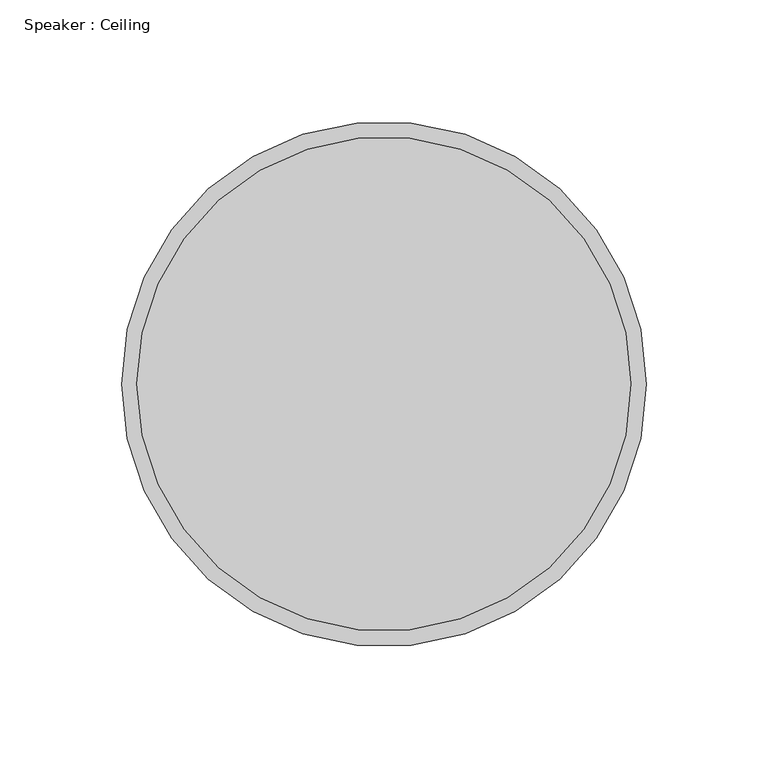
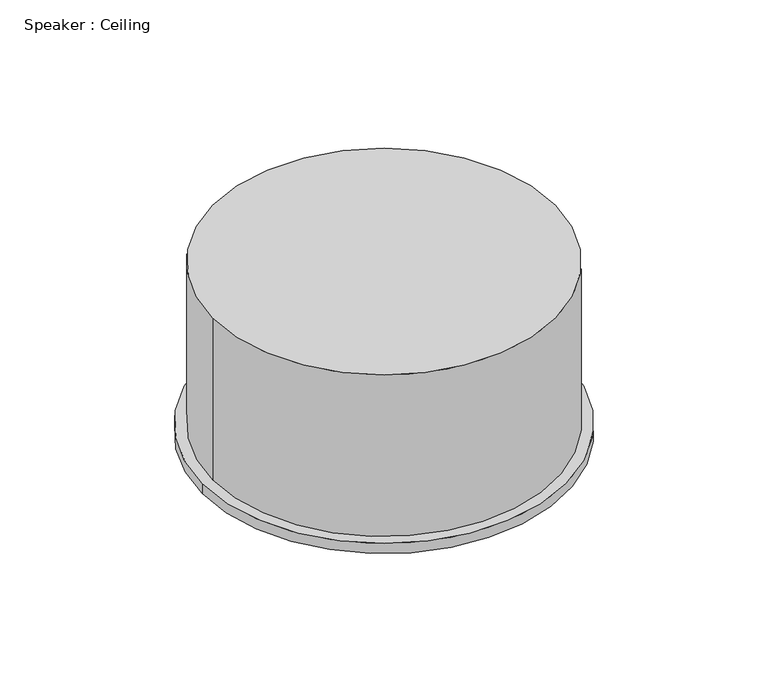
"""IFC4 building model written with IfcOpenShell, lengths in millimetres: proxy geometry, Speaker : Ceiling."""

from ifc_helpers import new_model, si_unit, point, frame, frame_2d, origin, place, context, project, spatial, circle_curve, trimmed, segment, composite_curve, outline, extrude, source, transform, mapped, element, save


def speaker_ceiling_a4e48c65(model_context):
    return source(origin(), model_context, "Body", "SweptSolid", [
        extrude(outline(composite_curve([segment(trimmed(circle_curve(frame_2d((-34.4117675, -10.7254698)), 101.6), [point((67.1882325, -10.7254698))], [point((-136.0117675, -10.7254698))], False, "CARTESIAN"), True, "CONTINUOUS"), segment(trimmed(circle_curve(frame_2d((-34.4117675, -10.7254698)), 101.6), [point((-136.0117675, -10.7254698))], [point((67.1882325, -10.7254698))], False, "CARTESIAN"), True, "CONTINUOUS")], self_intersect=False)), frame((0.0, 0.0, 2743.2), z_axis=(0.0, 0.0, 1.0), x_axis=(1.0, 0.0, 0.0)), (0.0, 0.0, 1.0), 101.6),
        extrude(outline(composite_curve([segment(trimmed(circle_curve(frame_2d((-34.4117675, -10.7254698)), 107.95), [point((73.5382325, -10.7254698))], [point((-142.3617675, -10.7254698))], False, "CARTESIAN"), True, "CONTINUOUS"), segment(trimmed(circle_curve(frame_2d((-34.4117675, -10.7254698)), 107.95), [point((-142.3617675, -10.7254698))], [point((73.5382325, -10.7254698))], False, "CARTESIAN"), True, "CONTINUOUS")], self_intersect=False)), frame((0.0, 0.0, 2736.85), z_axis=(0.0, 0.0, 1.0), x_axis=(1.0, 0.0, 0.0)), (0.0, 0.0, 1.0), 6.35),
    ])


if __name__ == "__main__":
    model = new_model("IFC4")
    model_context = context("Model", 3, world=origin())
    ifc_project = project(units=[si_unit("LENGTHUNIT", "METRE", prefix="MILLI")], contexts=[model_context])
    site = spatial("IfcSite", under=ifc_project)
    building = spatial("IfcBuilding", under=site)
    placement = place(None, origin())
    speaker_ceiling_shape = speaker_ceiling_a4e48c65(model_context)
    element("IfcBuildingElementProxy", 1, Name="Speaker : Ceiling", ObjectType="Speaker : Ceiling", at=placement, inside=building, context=model_context, shape_type="MappedRepresentation", body=[
        mapped(speaker_ceiling_shape, transform((0.0, 0.0, 0.0), x_axis=(1.0, 0.0, 0.0), y_axis=(0.0, 1.0, 0.0), z_axis=(0.0, 0.0, 1.0))),
    ])
    save(model, "model.ifc")
